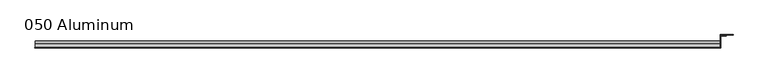
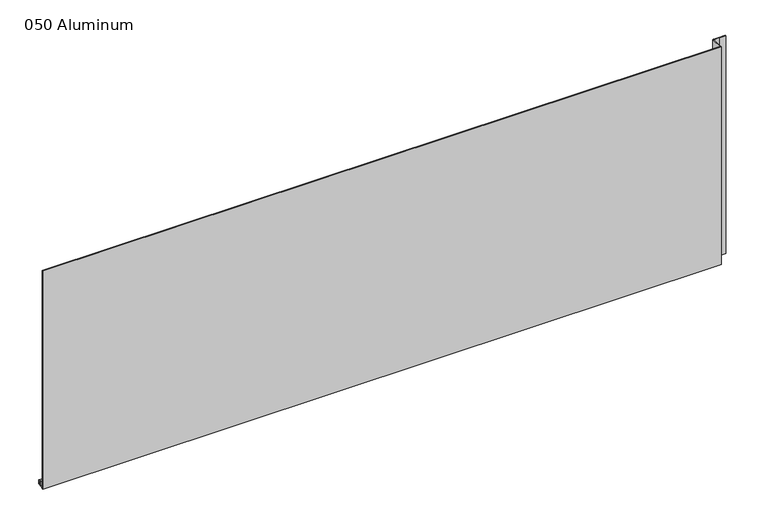
"""IFC4 building model written with IfcOpenShell, lengths in millimetres: plate geometry, 050 Aluminum."""

from ifc_helpers import new_model, si_unit, point, frame, frame_2d, origin, origin_with_axes, place, context, project, spatial, polyline, circle_curve, trimmed, segment, composite_curve, outline, extrude, source, transform, mapped, element, save


def plate_050_aluminum_f3af1ca0(model_context):
    return source(origin(), model_context, "Body", "SweptSolid", [
        extrude(outline(composite_curve([segment(polyline([(-16.6765477, 13.1458337), (-16.6765477, 2.786437), (-17.9464915, 2.786437), (-17.9464915, 13.1323356)]), True, "CONTINUOUS"), segment(trimmed(circle_curve(frame_2d((-19.8514743, 13.124237)), 1.905), [point((-17.9464915, 13.1323356))], [point((-21.7564743, 13.124237))], True, "CARTESIAN"), True, "CONTINUOUS"), segment(polyline([(-21.7564743, 13.124237), (-21.7564743, 0.0), (-34.7980002, 0.0), (-34.7980002, 1.2693678), (-23.0264743, 1.2693678), (-23.0264743, 13.124237)]), True, "CONTINUOUS"), segment(trimmed(circle_curve(frame_2d((-19.8514743, 13.124237)), 3.175), [point((-23.0264743, 13.124237))], [point((-16.6765477, 13.1458337))], False, "CARTESIAN"), True, "CONTINUOUS")], self_intersect=False)), frame((-919.4800002, 0.0, 0.0), z_axis=(1.0, 0.0, 0.0), x_axis=(0.0, 1.0, 0.0)), (0.0, 0.0, 1.0), 1826.2600003),
        extrude(outline(polyline([(-920.7500002, -36.068), (-920.7500002, -34.7980001), (908.0500002, -34.7980001), (908.0500002, -36.068), (-920.7500002, -36.068)])), origin_with_axes(), (0.0, 0.0, 1.0), 622.3),
        extrude(outline(polyline([(908.0500002, -1.2699999), (908.0500002, -34.7980002), (906.7800002, -34.7980002), (906.7800002, 0.0), (940.5620858, 0.0), (940.5620858, -1.2699999), (908.0500002, -1.2699999)])), origin_with_axes(), (0.0, 0.0, 1.0), 621.03),
        extrude(outline(polyline([(906.7800002, -3.3274743), (906.7800002, -2.0574743), (922.5280001, -2.0574743), (922.5280001, -3.3274743), (906.7800002, -3.3274743)])), origin_with_axes(), (0.0, 0.0, 1.0), 622.3),
    ])


if __name__ == "__main__":
    model = new_model("IFC4")
    model_context = context("Model", 3, world=origin())
    ifc_project = project(units=[si_unit("LENGTHUNIT", "METRE", prefix="MILLI")], contexts=[model_context])
    site = spatial("IfcSite", under=ifc_project)
    building = spatial("IfcBuilding", under=site)
    placement = place(None, origin())
    plate_050_aluminum_shape = plate_050_aluminum_f3af1ca0(model_context)
    element("IfcPlate", 1, ObjectType="050 Aluminum", at=placement, inside=building, context=model_context, shape_type="MappedRepresentation", body=[
        mapped(plate_050_aluminum_shape, transform((0.0, 0.0, 0.0), x_axis=(1.0, 0.0, 0.0), y_axis=(0.0, 1.0, 0.0), z_axis=(0.0, 0.0, 1.0))),
    ])
    save(model, "model.ifc")
